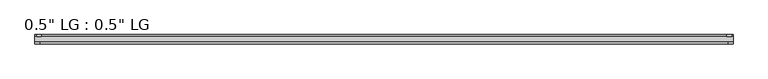
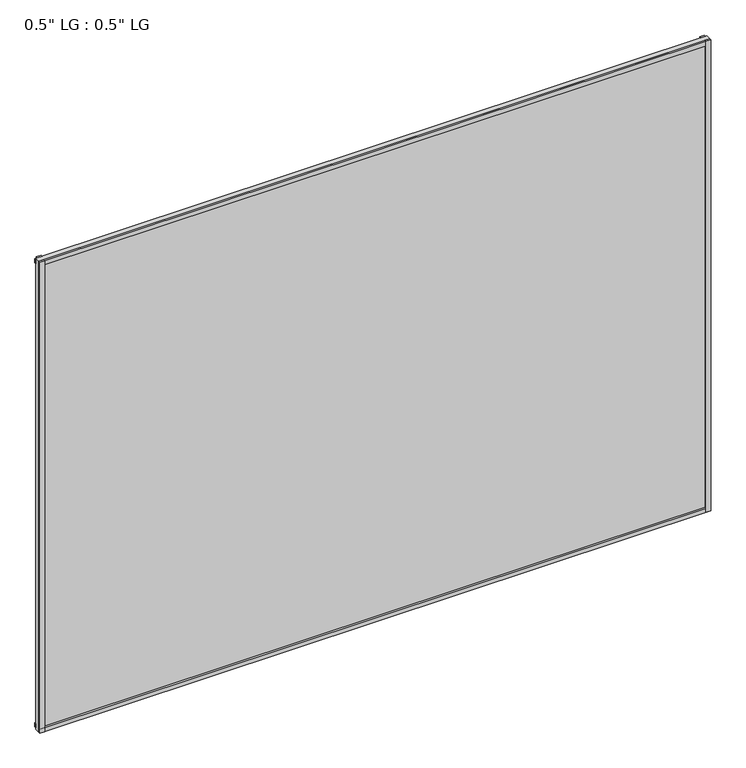
"""IFC4 building model written with IfcOpenShell, lengths in millimetres: plate geometry."""

from ifc_helpers import new_model, si_unit, frame, origin, origin_with_axes, place, context, project, spatial, polyline, outline, extrude, source, transform, mapped, element, save


def plate_c983a2cb(model_context):
    return source(origin(), model_context, "Body", "SweptSolid", [
        extrude(outline(polyline([(867.5318507, -33.3271813), (867.5318507, -38.0007813), (855.3941711, -38.0007813), (855.3941711, -33.3271813), (867.5318507, -33.3271813)])), origin_with_axes(), (0.0, 0.0, 1.0), 1286.9380543),
        extrude(outline(polyline([(864.000497, -15.5217813), (864.000497, -19.7127813), (851.9880732, -19.7127813), (851.9880732, -15.5217813), (864.000497, -15.5217813)])), origin_with_axes(), (0.0, 0.0, 1.0), 1286.9380543),
        extrude(outline(polyline([(-855.2412727, -38.0007812), (-867.5318507, -38.0007812), (-867.5318507, -33.3271813), (-855.2412727, -33.3271813), (-855.2412727, -38.0007812)])), origin_with_axes(), (0.0, 0.0, 1.0), 1286.9380543),
        extrude(outline(polyline([(-851.2820348, -19.7127813), (-863.5726128, -19.7127813), (-863.5726128, -15.5217812), (-851.2820348, -15.5217812), (-851.2820348, -19.7127813)])), origin_with_axes(), (0.0, 0.0, 1.0), 1286.9380543),
        extrude(outline(polyline([(867.5318507, -33.3271813), (867.5318507, -38.0007813), (-867.5318507, -38.0007812), (-867.5318507, -33.3271812), (867.5318507, -33.3271813)])), origin_with_axes(), (0.0, 0.0, 1.0), 11.1693096),
        extrude(outline(polyline([(867.5318507, -15.3590708), (867.5318507, -20.1364307), (-867.5318507, -20.1364307), (-867.5318507, -15.3590708), (867.5318507, -15.3590708)])), frame((0.0, 0.0, 3.848913), z_axis=(0.0, 0.0, 1.0), x_axis=(1.0, 0.0, 0.0)), (0.0, 0.0, 1.0), 11.1693096),
        extrude(outline(polyline([(867.5318507, -33.3271813), (867.5318507, -38.0007813), (-867.5318507, -38.0007812), (-867.5318507, -33.3271812), (867.5318507, -33.3271813)])), frame((0.0, 0.0, 1275.7569484), z_axis=(0.0, 0.0, 1.0), x_axis=(1.0, 0.0, 0.0)), (0.0, 0.0, 1.0), 11.1811058),
        extrude(outline(polyline([(867.5318507, -15.5217813), (867.5318507, -19.7127813), (-867.5318507, -19.7127812), (-867.5318507, -15.5217813), (867.5318507, -15.5217813)])), frame((0.0, 0.0, 1271.1978017), z_axis=(0.0, 0.0, 1.0), x_axis=(1.0, 0.0, 0.0)), (0.0, 0.0, 1.0), 11.1811058),
        extrude(outline(polyline([(867.5318507, -33.3271812), (-867.5318507, -33.3271812), (-867.5318507, -19.7127812), (867.5318507, -19.7127812), (867.5318507, -33.3271812)])), origin_with_axes(), (0.0, 0.0, 1.0), 1286.9380543),
    ])


if __name__ == "__main__":
    model = new_model("IFC4")
    model_context = context("Model", 3, world=origin())
    ifc_project = project(units=[si_unit("LENGTHUNIT", "METRE", prefix="MILLI")], contexts=[model_context])
    site = spatial("IfcSite", under=ifc_project)
    building = spatial("IfcBuilding", under=site)
    placement = place(None, origin())
    plate_shape = plate_c983a2cb(model_context)
    element("IfcPlate", 1, ObjectType="0.5\" LG : 0.5\" LG", at=placement, inside=building, context=model_context, shape_type="MappedRepresentation", body=[
        mapped(plate_shape, transform((0.0, 0.0, 0.0), x_axis=(1.0, 0.0, 0.0), y_axis=(0.0, 1.0, 0.0), z_axis=(0.0, 0.0, 1.0))),
    ])
    save(model, "model.ifc")
